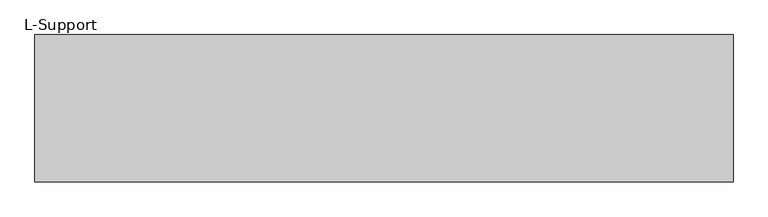
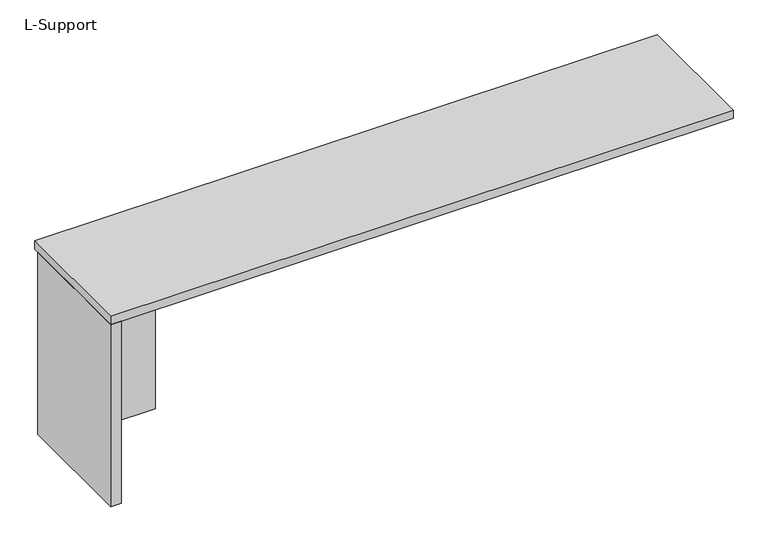
"""IFC4 building model written with IfcOpenShell, lengths in millimetres: furniture geometry, L-Support."""

from ifc_helpers import new_model, si_unit, frame, origin, origin_with_axes, place, context, project, spatial, polyline, outline, extrude, source, transform, mapped, element, save


def l_support_9c604ee8(model_context):
    return source(origin(), model_context, "Body", "SweptSolid", [
        extrude(outline(polyline([(-404.8125, -736.6), (-404.8125, -273.05), (-365.91875, -273.05), (-365.91875, -736.6), (-404.8125, -736.6)])), origin_with_axes(), (0.0, 0.0, 1.0), 708.025),
        extrude(outline(polyline([(-365.91875, -317.5), (-10.31875, -317.5), (-10.31875, -336.55), (-365.91875, -336.55), (-365.91875, -317.5)])), origin_with_axes(), (0.0, 0.0, 1.0), 708.025),
        extrude(outline(polyline([(-404.8125, -254.0), (1881.1875, -254.0), (1881.1875, -736.6), (-404.8125, -736.6), (-404.8125, -254.0)])), frame((0.0, 0.0, 708.025), z_axis=(0.0, 0.0, 1.0), x_axis=(1.0, 0.0, 0.0)), (0.0, 0.0, 1.0), 31.75),
    ])


if __name__ == "__main__":
    model = new_model("IFC4")
    model_context = context("Model", 3, world=origin())
    ifc_project = project(units=[si_unit("LENGTHUNIT", "METRE", prefix="MILLI")], contexts=[model_context])
    site = spatial("IfcSite", under=ifc_project)
    building = spatial("IfcBuilding", under=site)
    placement = place(None, origin())
    l_support_shape = l_support_9c604ee8(model_context)
    element("IfcFurniture", 1, ObjectType="L-Support", at=placement, inside=building, context=model_context, shape_type="MappedRepresentation", body=[
        mapped(l_support_shape, transform((0.0, 0.0, 0.0), x_axis=(1.0, 0.0, 0.0), y_axis=(0.0, 1.0, 0.0), z_axis=(0.0, 0.0, 1.0))),
    ])
    save(model, "model.ifc")
